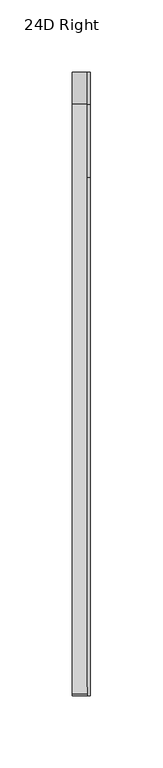
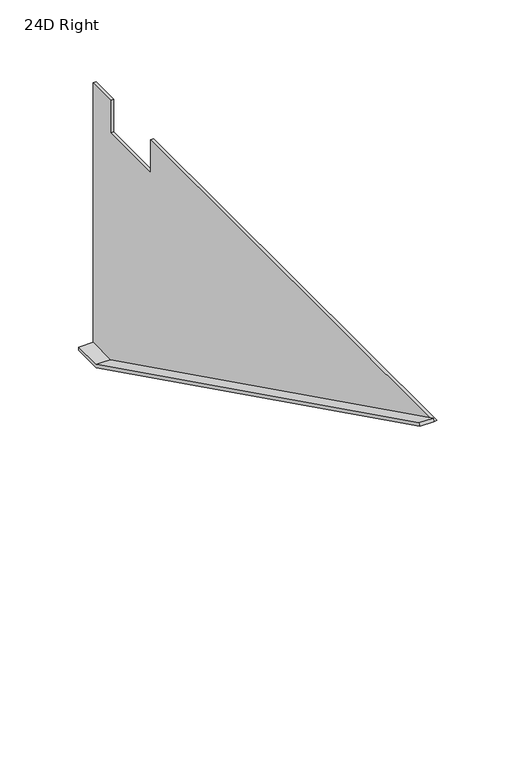
"""IFC4 building model written with IfcOpenShell, lengths in millimetres: furniture geometry, 24D Right."""

from ifc_helpers import new_model, si_unit, frame, origin, place, context, project, spatial, polyline, outline, extrude, source, transform, mapped, element, save


def furniture_24d_right_6b9ef8bb(model_context):
    return source(origin(), model_context, "Body", "SweptSolid", [
        extrude(outline(polyline([(203.2, 505.5235), (203.2, 503.2375), (180.975, 503.2375), (-228.8807823, 706.4375), (-227.8653655, 708.4856027), (181.5105764, 505.5235), (203.2, 505.5235)])), frame((-12.7, 0.0, 0.0), z_axis=(1.0, 0.0, 0.0), x_axis=(0.0, 1.0, 0.0)), (0.0, 0.0, 1.0), 10.414),
        extrude(outline(polyline([(203.2, 706.4375), (203.2, 503.2375), (180.975, 503.2375), (-228.8807823, 706.4375), (130.175, 706.4375), (130.175, 681.0375), (180.975, 681.0375), (180.975, 706.4375), (203.2, 706.4375)])), frame((-2.286, 0.0, 0.0), z_axis=(1.0, 0.0, 0.0), x_axis=(0.0, 1.0, 0.0)), (0.0, 0.0, 1.0), 2.286),
    ])


if __name__ == "__main__":
    model = new_model("IFC4")
    model_context = context("Model", 3, world=origin())
    ifc_project = project(units=[si_unit("LENGTHUNIT", "METRE", prefix="MILLI")], contexts=[model_context])
    site = spatial("IfcSite", under=ifc_project)
    building = spatial("IfcBuilding", under=site)
    placement = place(None, origin())
    furniture_24d_right_shape = furniture_24d_right_6b9ef8bb(model_context)
    element("IfcFurniture", 1, ObjectType="24D Right", at=placement, inside=building, context=model_context, shape_type="MappedRepresentation", body=[
        mapped(furniture_24d_right_shape, transform((0.0, 0.0, 0.0), x_axis=(1.0, 0.0, 0.0), y_axis=(0.0, 1.0, 0.0), z_axis=(0.0, 0.0, 1.0))),
    ])
    save(model, "model.ifc")
